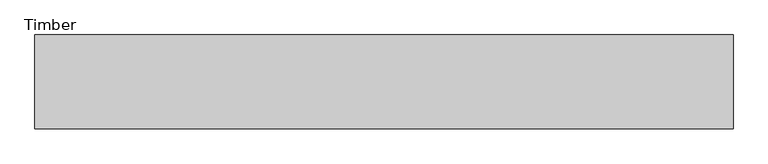
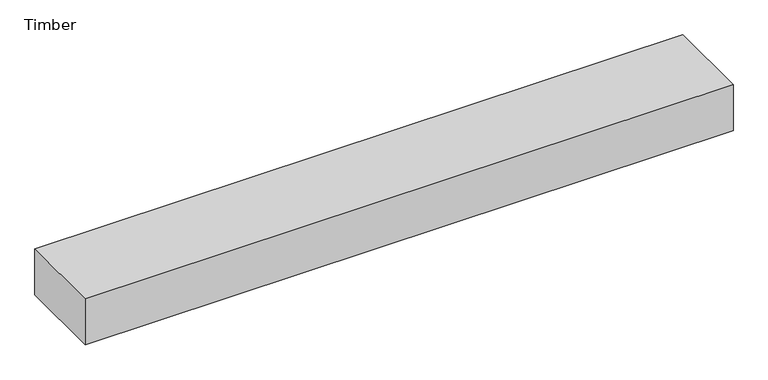
"""IFC4 building model written with IfcOpenShell, lengths in millimetres: beam geometry, Timber."""

from ifc_helpers import new_model, si_unit, frame, origin, place, context, project, spatial, polyline, outline, extrude, source, transform, mapped, element, save


def timber_d7e90dc6(model_context):
    return source(origin(), model_context, "Body", "SweptSolid", [
        extrude(outline(polyline([(1698.7657389, 228.6), (1698.7657389, -228.6), (-1698.7657389, -228.6), (-1698.7657389, 228.6), (1698.7657389, 228.6)])), frame((0.0, 0.0, -127.0), z_axis=(0.0, 0.0, 1.0), x_axis=(1.0, 0.0, 0.0)), (0.0, 0.0, 1.0), 254.0),
    ])


if __name__ == "__main__":
    model = new_model("IFC4")
    model_context = context("Model", 3, world=origin())
    ifc_project = project(units=[si_unit("LENGTHUNIT", "METRE", prefix="MILLI")], contexts=[model_context])
    site = spatial("IfcSite", under=ifc_project)
    building = spatial("IfcBuilding", under=site)
    placement = place(None, origin())
    timber_shape = timber_d7e90dc6(model_context)
    element("IfcBeam", 1, ObjectType="Timber", at=placement, inside=building, context=model_context, shape_type="MappedRepresentation", body=[
        mapped(timber_shape, transform((0.0, 0.0, 0.0), x_axis=(1.0, 0.0, 0.0), y_axis=(0.0, 1.0, 0.0), z_axis=(0.0, 0.0, 1.0))),
    ])
    save(model, "model.ifc")
